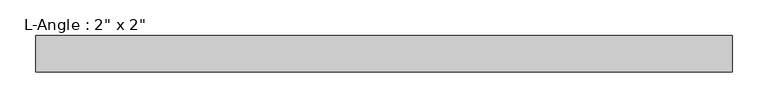
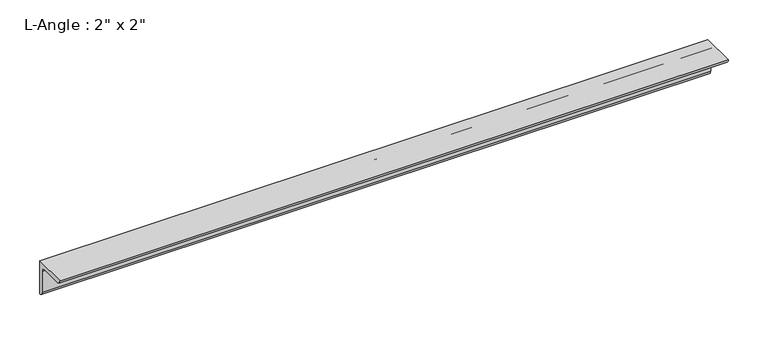
"""IFC4 building model written with IfcOpenShell, lengths in millimetres: beam geometry."""

import ifcopenshell
import ifcopenshell.guid

model = None  # the IFC model being written
_history = None  # IfcOwnerHistory: only IFC2X3 demands one
_inside = {}  # id of a spatial element -> (the spatial element, [elements in it])
_under = {}  # id of a project, library or spatial element -> (it, [spatial elements below it])
_declared = {}  # id of a project -> (the project, [libraries it declares])
_typed = {}  # id of a type object -> (the type object, [elements of that type])
_made_of = {}  # id of a material, layer set ... -> (it, [elements and type objects made of it])


def new_model(schema):
    """Start an empty IFC model of exactly this schema.

    Asked for "IFC4X3", IfcOpenShell would pick the latest addendum, in which some entities
    have other attributes; the version numbers below select the first issue.
    IFC2X3 requires an IfcOwnerHistory on every rooted entity: one is made here for all.
    """
    global model, _history
    if schema == "IFC4X3":
        model = ifcopenshell.file(schema_version=(4, 3, 0, 0))
    else:
        model = ifcopenshell.file(schema=schema)
    _inside.clear()
    _under.clear()
    _declared.clear()
    _typed.clear()
    _made_of.clear()
    _history = None
    if model.schema == "IFC2X3":
        org = make("IfcOrganization", Name="unknown")
        user = make(
            "IfcPersonAndOrganization",
            ThePerson=make("IfcPerson", FamilyName="unknown"),
            TheOrganization=org,
        )
        app = make(
            "IfcApplication",
            ApplicationDeveloper=org,
            Version="unknown",
            ApplicationFullName="unknown",
            ApplicationIdentifier="unknown",
        )
        _history = make(
            "IfcOwnerHistory",
            OwningUser=user,
            OwningApplication=app,
            ChangeAction="ADDED",
            CreationDate=0,
        )
    return model


def make(cls, **values):
    """One entity of the class cls with the attributes given. An attribute that is None is left unset."""
    return model.create_entity(
        cls, **{name: value for name, value in values.items() if value is not None}
    )


def rooted(cls, **values):
    """An entity with a GlobalId (a new one), such as an element, a storey or a relation."""
    return make(cls, GlobalId=ifcopenshell.guid.new(), OwnerHistory=_history, **values)


def si_unit(unit_type, name, prefix=None):
    """IfcSIUnit, for example si_unit("LENGTHUNIT", "METRE", prefix="MILLI")."""
    return make("IfcSIUnit", UnitType=unit_type, Prefix=prefix, Name=name)


def assignment(units):
    """IfcUnitAssignment: the units of a project."""
    return None if units is None else make("IfcUnitAssignment", Units=units)


def point(xyz):
    """IfcCartesianPoint."""
    return None if xyz is None else make("IfcCartesianPoint", Coordinates=xyz)


def direction(xyz):
    """IfcDirection."""
    return None if xyz is None else make("IfcDirection", DirectionRatios=xyz)


def frame(location, z_axis=None, x_axis=None):
    """IfcAxis2Placement3D, a coordinate frame: its origin and axes. An axis left out is left unset."""
    return make(
        "IfcAxis2Placement3D",
        Location=point(location),
        Axis=direction(z_axis),
        RefDirection=direction(x_axis),
    )


def frame_2d(location, x_axis=None):
    """IfcAxis2Placement2D, a coordinate frame in the plane: its origin and x axis."""
    return make(
        "IfcAxis2Placement2D", Location=point(location), RefDirection=direction(x_axis)
    )


def origin():
    """The frame at (0, 0, 0) with its axes left unset."""
    return frame((0.0, 0.0, 0.0))


def place(relative_to, where):
    """IfcLocalPlacement: puts the frame where relative to a parent placement (None: the world)."""
    return make(
        "IfcLocalPlacement", PlacementRelTo=relative_to, RelativePlacement=where
    )


def context(
    kind, dimensions, precision=None, world=None, true_north=None, identifier=None
):
    """IfcGeometricRepresentationContext, for example the 3D "Model" context."""
    return make(
        "IfcGeometricRepresentationContext",
        ContextIdentifier=identifier,
        ContextType=kind,
        CoordinateSpaceDimension=dimensions,
        Precision=precision,
        WorldCoordinateSystem=world,
        TrueNorth=true_north,
    )


def project(units=None, contexts=None):
    """IfcProject with its units and contexts."""
    return rooted(
        "IfcProject",
        Name="project",
        RepresentationContexts=contexts,
        UnitsInContext=assignment(units),
    )


def spatial(cls, under=None, at=None, **own):
    """A site, building, storey or space (cls), placed at a placement, below another one or the project."""
    s = rooted(cls, ObjectPlacement=at, **own)
    if under is not None:
        _under.setdefault(under.id(), (under, []))[1].append(s)
    return s


def polyline(points):
    """IfcPolyline through the points."""
    return make("IfcPolyline", Points=[point(p) for p in points])


def circle_curve(where, radius):
    """IfcCircle in the frame where."""
    return make("IfcCircle", Position=where, Radius=radius)


def trimmed(basis, trim1, trim2, sense, master):
    """IfcTrimmedCurve: the piece of a basis curve between two trims."""
    return make(
        "IfcTrimmedCurve",
        BasisCurve=basis,
        Trim1=trim1,
        Trim2=trim2,
        SenseAgreement=sense,
        MasterRepresentation=master,
    )


def segment(curve, same_sense, transition):
    """IfcCompositeCurveSegment."""
    return make(
        "IfcCompositeCurveSegment",
        Transition=transition,
        SameSense=same_sense,
        ParentCurve=curve,
    )


def composite_curve(segments, self_intersect=None):
    """IfcCompositeCurve: segments joined end to end."""
    return make("IfcCompositeCurve", Segments=segments, SelfIntersect=self_intersect)


def outline(outer, holes=None, kind="AREA"):
    """IfcArbitraryClosedProfileDef: a profile drawn as a closed curve; with holes, ...WithVoids."""
    if holes is None:
        return make("IfcArbitraryClosedProfileDef", ProfileType=kind, OuterCurve=outer)
    return make(
        "IfcArbitraryProfileDefWithVoids",
        ProfileType=kind,
        OuterCurve=outer,
        InnerCurves=holes,
    )


def extrude(swept, where, along, depth):
    """IfcExtrudedAreaSolid: the profile swept, set in the frame where, extruded along a direction by depth."""
    return make(
        "IfcExtrudedAreaSolid",
        SweptArea=swept,
        Position=where,
        ExtrudedDirection=direction(along),
        Depth=depth,
    )


def shape(context_of_items, identifier, shape_type, items):
    """IfcShapeRepresentation: the items that make up one representation, for example the "Body"."""
    return make(
        "IfcShapeRepresentation",
        ContextOfItems=context_of_items,
        RepresentationIdentifier=identifier,
        RepresentationType=shape_type,
        Items=items,
    )


def source(mapping_origin, context_of_items, identifier, shape_type, items):
    """IfcRepresentationMap: a shape defined once, which mapped items show again and again."""
    return make(
        "IfcRepresentationMap",
        MappingOrigin=mapping_origin,
        MappedRepresentation=shape(context_of_items, identifier, shape_type, items),
    )


def transform(
    local_origin,
    x_axis=None,
    y_axis=None,
    z_axis=None,
    scale=None,
    scale2=None,
    scale3=None,
    uniform=True,
):
    """IfcCartesianTransformationOperator3D, or its non-uniform kind. x_axis, y_axis, z_axis: its Axis1, 2, 3."""
    if uniform:
        return make(
            "IfcCartesianTransformationOperator3D",
            Axis1=direction(x_axis),
            Axis2=direction(y_axis),
            LocalOrigin=point(local_origin),
            Scale=scale,
            Axis3=direction(z_axis),
        )
    return make(
        "IfcCartesianTransformationOperator3DnonUniform",
        Axis1=direction(x_axis),
        Axis2=direction(y_axis),
        LocalOrigin=point(local_origin),
        Scale=scale,
        Axis3=direction(z_axis),
        Scale2=scale2,
        Scale3=scale3,
    )


def mapped(mapping_source, mapping_target):
    """IfcMappedItem: shows the shape of a source again, moved by a transform."""
    return make(
        "IfcMappedItem", MappingSource=mapping_source, MappingTarget=mapping_target
    )


def made_of(thing, what):
    """Note that an element or type object is made of a material, layer set ...; save() writes the relation."""
    if what is not None:
        _made_of.setdefault(what.id(), (what, []))[1].append(thing)
    return thing


def element(
    cls,
    number,
    at=None,
    inside=None,
    cuts=None,
    type_object=None,
    material=None,
    context=None,
    identifier="Body",
    shape_type=None,
    held_by="IfcProductDefinitionShape",
    body=None,
    shapes=None,
    **own,
):
    """One element of the class cls, such as IfcWall. Its Tag is "e" and its number.

    at: its placement. inside: the storey or other place that contains it. cuts: it is an
    opening in that element (IfcRelVoidsElement). A single representation is given by context,
    identifier, shape_type and body (its items); several are given by shapes. held_by: the class
    of the entity that holds the representations. save() writes the other relations.
    """
    e = rooted(cls, Tag="e%d" % number, ObjectPlacement=at, **own)
    if body is not None:
        shapes = [shape(context, identifier, shape_type, body)]
    if shapes is not None:
        e.Representation = make(held_by, Representations=shapes)
    if inside is not None:
        _inside.setdefault(inside.id(), (inside, []))[1].append(e)
    if cuts is not None:
        rooted(
            "IfcRelVoidsElement", RelatingBuildingElement=cuts, RelatedOpeningElement=e
        )
    if type_object is not None:
        _typed.setdefault(type_object.id(), (type_object, []))[1].append(e)
    return made_of(e, material)


def aggregate(whole, parts):
    """IfcRelAggregates: a whole, such as a stair, and the parts it consists of."""
    return rooted("IfcRelAggregates", RelatingObject=whole, RelatedObjects=parts)


def save(model, path):
    """Write the relations noted so far, then the file.

    IfcRelAggregates (storeys below a building ...), IfcRelContainedInSpatialStructure (elements
    in a storey), IfcRelDefinesByType, IfcRelAssociatesMaterial and IfcRelDeclares: one each for
    every whole, place, type object, material and project.
    """
    for whole, parts in _under.values():
        aggregate(whole, parts)
    for where, things in _inside.values():
        rooted(
            "IfcRelContainedInSpatialStructure",
            RelatedElements=things,
            RelatingStructure=where,
        )
    for kind, things in _typed.values():
        rooted("IfcRelDefinesByType", RelatedObjects=things, RelatingType=kind)
    for what, things in _made_of.values():
        rooted("IfcRelAssociatesMaterial", RelatedObjects=things, RelatingMaterial=what)
    for by, libraries in _declared.values():
        rooted("IfcRelDeclares", RelatingContext=by, RelatedDefinitions=libraries)
    model.write(path)


def beam_1877e1c7(model_context):
    return source(origin(), model_context, "Body", "SweptSolid", [
        extrude(outline(composite_curve([segment(polyline([(0.0, 0.0), (0.0, -50.8)]), True, "CONTINUOUS"), segment(trimmed(circle_curve(frame_2d((0.0, -44.45)), 6.35), [point((0.0, -50.8))], [point((-6.35, -44.45))], False, "CARTESIAN"), True, "CONTINUOUS"), segment(polyline([(-6.35, -44.45), (-6.35, -12.7)]), True, "CONTINUOUS"), segment(trimmed(circle_curve(frame_2d((-12.7, -12.7)), 6.35), [point((-6.35, -12.7))], [point((-12.7, -6.35))], True, "CARTESIAN"), True, "CONTINUOUS"), segment(polyline([(-12.7, -6.35), (-44.45, -6.35)]), True, "CONTINUOUS"), segment(trimmed(circle_curve(frame_2d((-44.45, 0.0)), 6.35), [point((-44.45, -6.35))], [point((-50.8, 0.0))], False, "CARTESIAN"), True, "CONTINUOUS"), segment(polyline([(-50.8, 0.0), (0.0, 0.0)]), True, "CONTINUOUS")], self_intersect=False)), frame((-484.6283938, 0.0, 0.0), z_axis=(1.0, 0.0, 0.0), x_axis=(0.0, 1.0, 0.0)), (0.0, 0.0, 1.0), 969.2567877),
    ])


if __name__ == "__main__":
    model = new_model("IFC4")
    model_context = context("Model", 3, world=origin())
    ifc_project = project(units=[si_unit("LENGTHUNIT", "METRE", prefix="MILLI")], contexts=[model_context])
    site = spatial("IfcSite", under=ifc_project)
    building = spatial("IfcBuilding", under=site)
    placement = place(None, origin())
    beam_shape = beam_1877e1c7(model_context)
    element("IfcBeam", 1, ObjectType="L-Angle : 2\" x 2\"", at=placement, inside=building, context=model_context, shape_type="MappedRepresentation", body=[
        mapped(beam_shape, transform((0.0, 0.0, 0.0), x_axis=(1.0, 0.0, 0.0), y_axis=(0.0, 1.0, 0.0), z_axis=(0.0, 0.0, 1.0))),
    ])
    save(model, "model.ifc")
